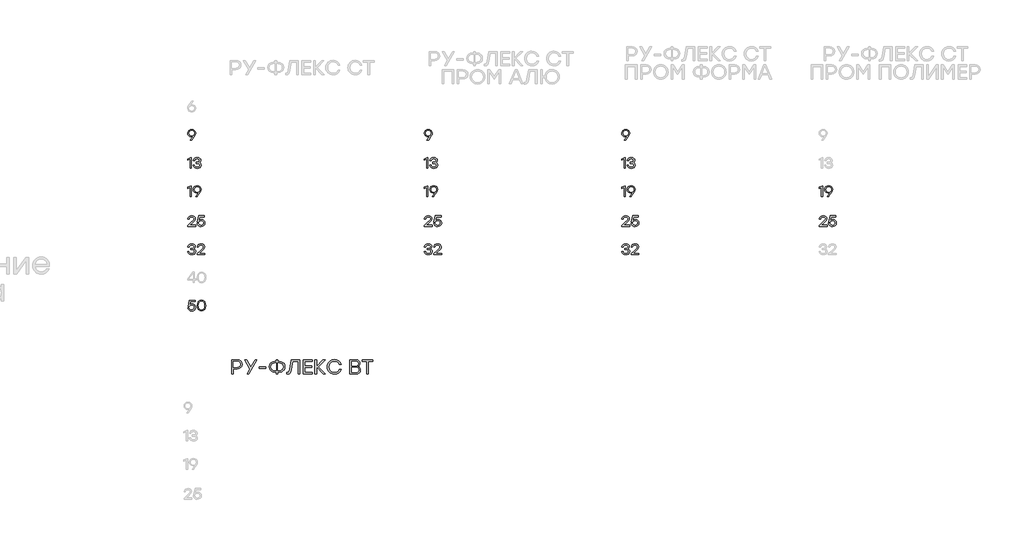
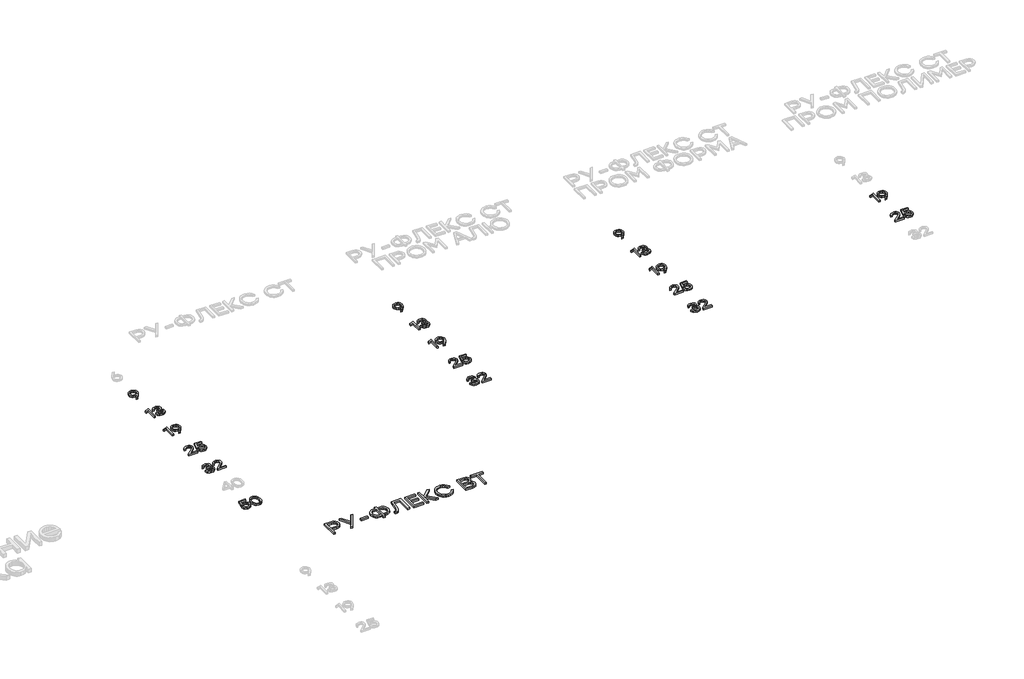
# One storey, part 16 of 41: 19 proxies.
"""IFC4 building model written with IfcOpenShell, lengths in millimetres."""

from ifc_helpers import new_model, si_unit, origin, origin_with_axes, place, context, project, spatial, polyline, outline, extrude, element, save

model = new_model("IFC4")

# Units and contexts
model_context = context("Model", 3, world=origin())
ifc_project = project(units=[si_unit("LENGTHUNIT", "METRE", prefix="MILLI")], contexts=[model_context])

# Site, building, storey
site = spatial("IfcSite", under=ifc_project)
building = spatial("IfcBuilding", under=site)
storey = spatial("IfcBuildingStorey", under=building, Elevation=0.0)

# Proxies
placement = place(None, origin())
element("IfcBuildingElementProxy", 1, Name="Generic Models", at=placement, inside=storey, context=model_context, shape_type="SweptSolid", body=[
    extrude(outline(polyline([(6681.1925742, -32149.8318641), (6703.0627748, -32153.477738), (6721.0702653, -32164.4153597), (6733.1273669, -32181.5655908), (6737.1464008, -32203.849293), (6734.5191528, -32221.6903743), (6726.6374089, -32239.6323096), (6684.8636616, -32299.216882), (6682.4835061, -32302.2021618), (6661.7075719, -32302.2021618), (6704.348664, -32245.1994532), (6690.3702927, -32251.1599275), (6676.2708966, -32253.1467523), (6656.6093997, -32249.7983978), (6640.0642929, -32239.7533345), (6628.8241091, -32223.9192488), (6625.0773812, -32203.203827), (6629.0964151, -32181.6563594), (6641.1535167, -32164.6170678), (6659.2013488, -32153.528165), (6681.1925742, -32149.8318641)]), holes=[polyline([(6680.9908661, -32239.1885518), (6696.3761514, -32236.727713), (6708.6450465, -32229.3451966), (6716.6780715, -32217.8377496), (6719.3557465, -32203.0021189), (6716.6226018, -32188.1614456), (6708.4231675, -32176.6388704), (6696.1542724, -32169.2412259), (6681.212745, -32166.7753444), (6666.2712176, -32169.291653), (6654.0023225, -32176.8405785), (6645.8028883, -32188.4640077), (6643.0697436, -32203.203827), (6645.7726321, -32218.0142442), (6653.8812977, -32229.4460507), (6666.0644668, -32236.7529265), (6680.9908661, -32239.1885518)])]), origin_with_axes(), (0.0, 0.0, 1.0), 20.0),
])
element("IfcBuildingElementProxy", 2, Name="Generic Models", at=placement, inside=storey, context=model_context, shape_type="SweptSolid", body=[
    extrude(outline(polyline([(6667.0730073, -32552.2120197), (6675.2220145, -32552.2120197), (6675.2220145, -32702.2021618), (6657.4313602, -32702.2021618), (6657.4313602, -32572.9879539), (6622.9392754, -32586.9058127), (6622.9392754, -32569.3572081), (6667.0730073, -32552.2120197)])), origin_with_axes(), (0.0, 0.0, 1.0), 20.0),
    extrude(outline(polyline([(6788.259233, -32623.1325872), (6799.4691606, -32628.5988767), (6807.8450894, -32636.8487379), (6813.0642864, -32647.5090109), (6814.8040188, -32660.2065357), (6811.1077178, -32678.4560759), (6800.0188151, -32692.5403439), (6782.9290965, -32701.5415678), (6761.2303478, -32704.5419758), (6739.8442466, -32701.6525073), (6721.9174393, -32692.9841017), (6708.9728221, -32678.7989797), (6702.5332911, -32659.3593617), (6720.5256535, -32659.3593617), (6725.3868186, -32671.7316322), (6733.7577047, -32680.5689683), (6745.6383117, -32685.8713699), (6761.0286397, -32687.6388371), (6775.9399109, -32685.7074821), (6787.2708633, -32679.9134169), (6794.4264581, -32670.8012536), (6796.8116564, -32658.9156039), (6794.8046608, -32648.134306), (6788.783674, -32639.7533345), (6778.4158778, -32634.3677283), (6763.3684536, -32632.5725262), (6742.5925195, -32632.5725262), (6742.5925195, -32616.9199777), (6758.2450679, -32616.9199777), (6772.9647164, -32615.4727221), (6783.478751, -32611.1309553), (6789.7871718, -32603.8946773), (6791.8899788, -32593.763888), (6789.6106772, -32582.6245583), (6782.7727727, -32574.0570068), (6772.1830975, -32568.59576), (6758.6484841, -32566.7753444), (6745.8097636, -32568.3032833), (6735.532736, -32572.8870998), (6727.8678283, -32581.0008081), (6722.8654674, -32593.1184221), (6704.873105, -32593.1184221), (6711.5446004, -32573.9158111), (6723.4100793, -32560.4417101), (6739.5618553, -32552.4843256), (6759.0922419, -32549.8318641), (6779.106728, -32552.7515889), (6795.4198705, -32561.5107631), (6806.2667235, -32574.8789673), (6809.8823412, -32591.6257822), (6804.3151976, -32610.9090764), (6797.5176347, -32618.1403117), (6788.259233, -32623.1325872)])), origin_with_axes(), (0.0, 0.0, 1.0), 20.0),
])
element("IfcBuildingElementProxy", 3, Name="Generic Models", at=placement, inside=storey, context=model_context, shape_type="SweptSolid", body=[
    extrude(outline(polyline([(6667.0730073, -32952.2120197), (6675.2220145, -32952.2120197), (6675.2220145, -33102.2021618), (6657.4313602, -33102.2021618), (6657.4313602, -32972.9879539), (6622.9392754, -32986.9058127), (6622.9392754, -32969.3572081), (6667.0730073, -32952.2120197)])), origin_with_axes(), (0.0, 0.0, 1.0), 20.0),
    extrude(outline(polyline([(6758.6484841, -32949.8318641), (6780.5186847, -32953.477738), (6798.5261752, -32964.4153597), (6810.5832768, -32981.5655908), (6814.6023107, -33003.849293), (6811.9750627, -33021.6903743), (6804.0933187, -33039.6323096), (6762.3195715, -33099.216882), (6759.9394159, -33102.2021618), (6739.1634818, -33102.2021618), (6781.8045738, -33045.1994532), (6767.8262026, -33051.1599275), (6753.7268065, -33053.1467523), (6734.0653096, -33049.7983978), (6717.5202028, -33039.7533345), (6706.280019, -33023.9192488), (6702.5332911, -33003.203827), (6706.5523249, -32981.6563594), (6718.6094265, -32964.6170678), (6736.6572587, -32953.528165), (6758.6484841, -32949.8318641)]), holes=[polyline([(6758.446776, -33039.1885518), (6773.8320612, -33036.727713), (6786.1009563, -33029.3451966), (6794.1339814, -33017.8377496), (6796.8116564, -33003.0021189), (6794.0785116, -32988.1614456), (6785.8790774, -32976.6388704), (6773.6101823, -32969.2412259), (6758.6686549, -32966.7753444), (6743.7271275, -32969.291653), (6731.4582324, -32976.8405785), (6723.2587982, -32988.4640077), (6720.5256535, -33003.203827), (6723.228542, -33018.0142442), (6731.3372076, -33029.4460507), (6743.5203767, -33036.7529265), (6758.446776, -33039.1885518)])]), origin_with_axes(), (0.0, 0.0, 1.0), 20.0),
])
element("IfcBuildingElementProxy", 4, Name="Generic Models", at=placement, inside=storey, context=model_context, shape_type="SweptSolid", body=[
    extrude(outline(polyline([(6737.5901586, -33509.0569735), (6737.5901586, -33526.2021618), (6625.0773812, -33526.2021618), (6625.0773812, -33513.3331851), (6668.5656473, -33475.4120626), (6707.2532606, -33439.4273378), (6713.6070657, -33429.4629577), (6715.7250007, -33418.8531118), (6713.4204857, -33407.577629), (6706.5069406, -33398.6016187), (6695.7357281, -33392.731913), (6681.858211, -33390.7753444), (6667.925224, -33392.8378097), (6656.9876024, -33399.0252057), (6649.1109012, -33408.9643722), (6644.3606754, -33422.2821494), (6626.368313, -33422.2821494), (6632.5657944, -33402.2827915), (6644.7842624, -33386.9025489), (6661.8840665, -33377.0995353), (6682.7255558, -33373.8318641), (6703.2695256, -33376.9936386), (6719.4767714, -33386.4789619), (6730.0059341, -33400.7346818), (6733.515655, -33418.2076458), (6730.9690903, -33432.8466111), (6723.329396, -33445.9425094), (6683.128972, -33484.2065357), (6654.4057387, -33509.0569735), (6737.5901586, -33509.0569735)])), origin_with_axes(), (0.0, 0.0, 1.0), 20.0),
    extrude(outline(polyline([(6818.6768143, -33427.203827), (6838.5652328, -33430.577395), (6854.984272, -33440.6980988), (6865.9975342, -33456.3960316), (6869.6686216, -33476.5012863), (6865.7605272, -33497.20158), (6854.0362439, -33513.877797), (6836.4725113, -33524.8759311), (6815.0460685, -33528.5419758), (6794.088597, -33525.4911408), (6776.2374303, -33516.3386358), (6763.2171725, -33501.6089019), (6756.752428, -33481.8263801), (6774.7447904, -33481.8263801), (6779.8933896, -33494.5289477), (6788.8845281, -33503.9134169), (6800.8811173, -33509.7074821), (6815.0460685, -33511.6388371), (6829.5337527, -33509.1174859), (6841.2882921, -33501.5534322), (6849.0792674, -33490.2476933), (6851.6762592, -33476.5012863), (6849.1044809, -33462.558214), (6841.3891462, -33451.6306778), (6829.7102472, -33444.5658516), (6815.2477766, -33442.2109096), (6794.2499635, -33447.0821602), (6779.666468, -33461.6959119), (6762.5212796, -33461.6959119), (6780.7556917, -33376.2120197), (6862.6088381, -33376.2120197), (6862.6088381, -33393.1151584), (6794.2297927, -33393.1151584), (6784.3864375, -33439.830754), (6799.817107, -33430.3605588), (6818.6768143, -33427.203827)])), origin_with_axes(), (0.0, 0.0, 1.0), 20.0),
])
element("IfcBuildingElementProxy", 5, Name="Generic Models", at=placement, inside=storey, context=model_context, shape_type="SweptSolid", body=[
    extrude(outline(polyline([(6710.8033231, -33847.1325872), (6722.0132507, -33852.5988767), (6730.3891795, -33860.8487379), (6735.6083765, -33871.5090109), (6737.3481089, -33884.2065357), (6733.651808, -33902.4560759), (6722.5629053, -33916.5403439), (6705.4731866, -33925.5415678), (6683.7744379, -33928.5419758), (6662.3883367, -33925.6525073), (6644.4615295, -33916.9841017), (6631.5169122, -33902.7989797), (6625.0773812, -33883.3593617), (6643.0697436, -33883.3593617), (6647.9309088, -33895.7316322), (6656.3017949, -33904.5689683), (6668.1824019, -33909.8713699), (6683.5727298, -33911.6388371), (6698.484001, -33909.7074821), (6709.8149534, -33903.9134169), (6716.9705482, -33894.8012536), (6719.3557465, -33882.9156039), (6717.3487509, -33872.134306), (6711.3277642, -33863.7533345), (6700.9599679, -33858.3677283), (6685.9125437, -33856.5725262), (6665.1366096, -33856.5725262), (6665.1366096, -33840.9199777), (6680.789158, -33840.9199777), (6695.5088065, -33839.4727221), (6706.0228412, -33835.1309553), (6712.331262, -33827.8946773), (6714.4340689, -33817.763888), (6712.1547674, -33806.6245583), (6705.3168628, -33798.0570068), (6694.7271877, -33792.59576), (6681.1925742, -33790.7753444), (6668.3538538, -33792.3032833), (6658.0768261, -33796.8870998), (6650.4119184, -33805.0008081), (6645.4095575, -33817.1184221), (6627.4171951, -33817.1184221), (6634.0886905, -33797.9158111), (6645.9541694, -33784.4417101), (6662.1059454, -33776.4843256), (6681.6363321, -33773.8318641), (6701.6508181, -33776.7515889), (6717.9639606, -33785.5107631), (6728.8108136, -33798.8789673), (6732.4264313, -33815.6257822), (6726.8592878, -33834.9090764), (6720.0617248, -33842.1403117), (6710.8033231, -33847.1325872)])), origin_with_axes(), (0.0, 0.0, 1.0), 20.0),
    extrude(outline(polyline([(6869.2652054, -33909.0569735), (6869.2652054, -33926.2021618), (6756.752428, -33926.2021618), (6756.752428, -33913.3331851), (6800.240694, -33875.4120626), (6838.9283074, -33839.4273378), (6845.2821125, -33829.4629577), (6847.4000475, -33818.8531118), (6845.0955325, -33807.577629), (6838.1819874, -33798.6016187), (6827.4107749, -33792.731913), (6813.5332577, -33790.7753444), (6799.6002708, -33792.8378097), (6788.6626492, -33799.0252057), (6780.7859479, -33808.9643722), (6776.0357222, -33822.2821494), (6758.0433598, -33822.2821494), (6764.2408411, -33802.2827915), (6776.4593092, -33786.9025489), (6793.5591133, -33777.0995353), (6814.4006026, -33773.8318641), (6834.9445724, -33776.9936386), (6851.1518181, -33786.4789619), (6861.6809809, -33800.7346818), (6865.1907018, -33818.2076458), (6862.644137, -33832.8466111), (6855.0044428, -33845.9425094), (6814.8040188, -33884.2065357), (6786.0807855, -33909.0569735), (6869.2652054, -33909.0569735)])), origin_with_axes(), (0.0, 0.0, 1.0), 20.0),
])
element("IfcBuildingElementProxy", 6, Name="Generic Models", at=placement, inside=storey, context=model_context, shape_type="SweptSolid", body=[
    extrude(outline(polyline([(6687.0017675, -34627.203827), (6706.890186, -34630.577395), (6723.3092252, -34640.6980988), (6734.3224874, -34656.3960316), (6737.9935748, -34676.5012863), (6734.0854804, -34697.20158), (6722.3611972, -34713.877797), (6704.7974645, -34724.8759311), (6683.3710217, -34728.5419758), (6662.4135503, -34725.4911408), (6644.5623835, -34716.3386358), (6631.5421258, -34701.6089019), (6625.0773812, -34681.8263801), (6643.0697436, -34681.8263801), (6648.2183428, -34694.5289477), (6657.2094813, -34703.9134169), (6669.2060705, -34709.7074821), (6683.3710217, -34711.6388371), (6697.8587059, -34709.1174859), (6709.6132453, -34701.5534322), (6717.4042206, -34690.2476933), (6720.0012124, -34676.5012863), (6717.4294342, -34662.558214), (6709.7140994, -34651.6306778), (6698.0352005, -34644.5658516), (6683.5727298, -34642.2109096), (6662.5749167, -34647.0821602), (6647.9914212, -34661.6959119), (6630.8462328, -34661.6959119), (6649.0806449, -34576.2120197), (6730.9337914, -34576.2120197), (6730.9337914, -34593.1151584), (6662.5547459, -34593.1151584), (6652.7113907, -34639.830754), (6668.1420603, -34630.3605588), (6687.0017675, -34627.203827)])), origin_with_axes(), (0.0, 0.0, 1.0), 20.0),
    extrude(outline(polyline([(6820.1694542, -34573.8318641), (6845.6754433, -34578.8947374), (6864.746944, -34594.0833572), (6876.6376364, -34618.4849945), (6880.6012005, -34651.18692), (6876.6376364, -34683.8888454), (6864.746944, -34708.2904827), (6845.6754433, -34723.4791025), (6820.1694542, -34728.5419758), (6794.8147462, -34723.5093587), (6775.7129892, -34708.4115075), (6763.7315282, -34684.0451692), (6759.7377078, -34651.2070908), (6763.7315282, -34618.3639696), (6775.7129892, -34593.9825032), (6794.8147462, -34578.8695239), (6820.1694542, -34573.8318641)]), holes=[polyline([(6788.9853821, -34696.9544875), (6802.4090561, -34707.9677497), (6820.1694542, -34711.6388371), (6837.9298523, -34707.9677497), (6851.3535262, -34696.9544875), (6859.7950102, -34678.1754636), (6862.6088381, -34651.2070908), (6859.7950102, -34624.238718), (6851.3535262, -34605.459694), (6837.9298523, -34594.4464318), (6820.1694542, -34590.7753444), (6802.4090561, -34594.4464318), (6788.9853821, -34605.459694), (6780.5438982, -34624.238718), (6777.7300702, -34651.2070908), (6780.5438982, -34678.1754636), (6788.9853821, -34696.9544875)])]), origin_with_axes(), (0.0, 0.0, 1.0), 20.0),
])
element("IfcBuildingElementProxy", 7, Name="Generic Models", at=placement, inside=storey, context=model_context, shape_type="SweptSolid", body=[
    extrude(outline(polyline([(7327.9353157, -35421.0473915), (7356.9543874, -35425.5118641), (7378.8195453, -35438.9052819), (7392.535696, -35459.3584831), (7397.1077463, -35485.002306), (7392.4953544, -35511.0360979), (7378.6581789, -35531.9061625), (7356.7526794, -35545.6223132), (7327.9353157, -35550.1943635), (7271.3494704, -35550.1943635), (7271.3494704, -35621.0342477), (7247.628598, -35621.0342477), (7247.628598, -35421.0473915), (7327.9353157, -35421.0473915)]), holes=[polyline([(7327.0746944, -35527.6030564), (7346.9429422, -35524.6043294), (7361.3650712, -35515.6081482), (7370.1393735, -35502.0399167), (7373.0641409, -35485.325039), (7370.1393735, -35468.6773972), (7361.3650712, -35455.3108739), (7346.9429422, -35446.5164008), (7327.0746944, -35443.5849098), (7271.3494704, -35443.5849098), (7271.3494704, -35527.6030564), (7327.0746944, -35527.6030564)])]), origin_with_axes(), (0.0, 0.0, 1.0), 20.0),
    extrude(outline(polyline([(7606.1311253, -35421.0473915), (7493.0132236, -35621.0342477), (7466.1725992, -35621.0342477), (7507.5899955, -35548.473121), (7434.7061359, -35421.0473915), (7461.600549, -35421.0473915), (7520.7144691, -35523.0310062), (7579.5594451, -35421.0473915), (7606.1311253, -35421.0473915)])), origin_with_axes(), (0.0, 0.0, 1.0), 20.0),
    extrude(outline(polyline([(7732.6962335, -35523.6226833), (7732.6962335, -35546.1602015), (7640.0718747, -35546.1602015), (7640.0718747, -35523.6226833), (7732.6962335, -35523.6226833)])), origin_with_axes(), (0.0, 0.0, 1.0), 20.0),
    extrude(outline(polyline([(7923.2700451, -35443.5849098), (7954.9180458, -35448.6948483), (7980.6896172, -35464.0246638), (7990.6792108, -35475.1270137), (7997.8146348, -35487.9943095), (8003.522974, -35519.0237386), (7997.8482528, -35550.0531678), (7990.7548513, -35562.9204636), (7980.8240893, -35574.0228135), (7955.0861359, -35589.352629), (7923.2700451, -35594.4625675), (7903.5295459, -35594.4625675), (7903.5295459, -35621.0342477), (7879.8086735, -35621.0342477), (7879.8086735, -35594.4625675), (7859.8530189, -35594.4625675), (7827.9965865, -35589.352629), (7802.245186, -35574.0228135), (7792.3144239, -35562.9204636), (7785.2210224, -35550.0531678), (7779.5463013, -35519.0237386), (7785.261364, -35487.9943095), (7792.4051925, -35475.1270137), (7802.4065524, -35464.0246638), (7828.1982946, -35448.6948483), (7859.8530189, -35443.5849098), (7879.8086735, -35443.5849098), (7879.8086735, -35421.0473915), (7903.5295459, -35421.0473915), (7903.5295459, -35443.5849098), (7923.2700451, -35443.5849098)]), holes=[polyline([(7923.2700451, -35571.8712605), (7945.8747994, -35568.4086048), (7963.9881866, -35558.0206377), (7975.8889644, -35541.3461016), (7979.8558904, -35519.0237386), (7975.8889644, -35496.7013757), (7963.9881866, -35480.0268396), (7945.8747994, -35469.6388725), (7923.2700451, -35466.1762168), (7903.5295459, -35466.1762168), (7903.5295459, -35571.8712605), (7923.2700451, -35571.8712605)]), polyline([(7859.8530189, -35571.8712605), (7879.8086735, -35571.8712605), (7879.8086735, -35466.1762168), (7859.8530189, -35466.1762168), (7837.4499728, -35469.6388725), (7819.4038215, -35480.0268396), (7807.5030437, -35496.7013757), (7803.5361178, -35519.0237386), (7807.4627021, -35541.3461016), (7819.2424551, -35558.0206377), (7837.2482647, -35568.4086048), (7859.8530189, -35571.8712605)])]), origin_with_axes(), (0.0, 0.0, 1.0), 20.0),
    extrude(outline(polyline([(8093.1889474, -35421.0473915), (8213.460763, -35421.0473915), (8213.460763, -35621.0342477), (8189.7398906, -35621.0342477), (8189.7398906, -35443.5849098), (8113.1446019, -35443.5849098), (8094.0495686, -35559.8763522), (8086.9494435, -35589.8972409), (8077.1598772, -35609.6041221), (8063.9547203, -35620.5165303), (8046.6078238, -35624.1539996), (8030.9014865, -35623.2933784), (8030.9014865, -35601.6164814), (8042.0357736, -35602.1543697), (8052.7330264, -35599.8683446), (8060.2970801, -35593.0102692), (8070.5976403, -35558.4778427), (8093.1889474, -35421.0473915)])), origin_with_axes(), (0.0, 0.0, 1.0), 20.0),
    extrude(outline(polyline([(8390.0494797, -35443.5849098), (8286.8825109, -35443.5849098), (8286.8825109, -35507.0557248), (8383.16451, -35507.0557248), (8383.16451, -35529.593243), (8286.8825109, -35529.593243), (8286.8825109, -35598.4429407), (8390.0494797, -35598.4429407), (8390.0494797, -35621.0342477), (8263.1616385, -35621.0342477), (8263.1616385, -35421.0473915), (8390.0494797, -35421.0473915), (8390.0494797, -35443.5849098)])), origin_with_axes(), (0.0, 0.0, 1.0), 20.0),
    extrude(outline(polyline([(8576.696707, -35621.0342477), (8546.1446536, -35621.0342477), (8452.1217853, -35523.8916274), (8452.1217853, -35621.0342477), (8428.4009129, -35621.0342477), (8428.4009129, -35421.0473915), (8452.1217853, -35421.0473915), (8452.1217853, -35514.747527), (8543.0249017, -35421.0473915), (8573.3080109, -35421.0473915), (8478.6934655, -35519.0506331), (8576.696707, -35621.0342477)])), origin_with_axes(), (0.0, 0.0, 1.0), 20.0),
    extrude(outline(polyline([(8705.7361013, -35624.1539996), (8684.538261, -35622.3150941), (8665.2129443, -35616.7983776), (8647.760151, -35607.6038502), (8632.1798813, -35594.7315117), (8619.3663743, -35579.0907295), (8610.2138694, -35561.5908711), (8604.7223664, -35542.2319363), (8602.8918654, -35521.0139252), (8604.7223664, -35499.7959141), (8610.2138694, -35480.4369794), (8619.3663743, -35462.9371209), (8632.1798813, -35447.2963388), (8647.760151, -35434.4240003), (8665.2129443, -35425.2294728), (8684.538261, -35419.7127563), (8705.7361013, -35417.8738508), (8737.2160119, -35422.412283), (8764.7424437, -35436.0275797), (8786.4865767, -35457.2808897), (8800.6195909, -35484.7333619), (8775.177476, -35484.7333619), (8763.7137324, -35466.5258442), (8747.6107025, -35452.4600661), (8727.8634797, -35443.4638849), (8705.4671571, -35440.4651578), (8674.5654764, -35446.2138386), (8649.3116225, -35463.4598811), (8632.4891671, -35489.3524773), (8626.8816819, -35521.0408196), (8632.4891671, -35552.7291619), (8649.3116225, -35578.6217582), (8674.5654764, -35595.8678006), (8705.4671571, -35601.6164814), (8727.8634797, -35598.6177544), (8747.6107025, -35589.6215732), (8763.7137324, -35575.5423479), (8775.177476, -35557.2944886), (8800.6195909, -35557.2944886), (8786.4865767, -35584.7805788), (8764.7424437, -35606.0271652), (8737.2160119, -35619.622291), (8705.7361013, -35624.1539996)])), origin_with_axes(), (0.0, 0.0, 1.0), 20.0),
    extrude(outline(polyline([(9039.011669, -35514.747527), (9054.1431382, -35521.5753461), (9064.9513305, -35532.3230259), (9071.4362459, -35546.9905665), (9073.5978843, -35565.5779678), (9069.4158031, -35588.7811227), (9056.8695593, -35606.3230037), (9036.3222277, -35617.3564367), (9008.1368827, -35621.0342477), (8924.118736, -35621.0342477), (8924.118736, -35421.0473915), (9006.7383732, -35421.0473915), (9033.0343857, -35424.3688516), (9052.0016706, -35434.3332316), (9063.4788614, -35450.3623019), (9067.3045916, -35471.8778324), (9065.536284, -35486.2360872), (9060.231361, -35498.1671212), (9051.3898227, -35507.6709345), (9039.011669, -35514.747527)]), holes=[polyline([(9043.3147751, -35475.3203173), (9041.02875, -35461.5369305), (9034.1706746, -35451.5994449), (9022.0278471, -35445.5885435), (9003.8875654, -35443.5849098), (8947.8396084, -35443.5849098), (8947.8396084, -35506.7329918), (9003.2958883, -35506.7329918), (9021.8799278, -35504.7360817), (9034.1706746, -35498.7453511), (9041.02875, -35488.8952723), (9043.3147751, -35475.3203173)]), polyline([(9007.8679386, -35598.4429407), (9026.2469082, -35596.284664), (9039.3747436, -35589.8098341), (9047.2514448, -35579.0184508), (9049.8770119, -35563.9105142), (9047.3758315, -35548.5874223), (9039.8722902, -35537.4733061), (9026.7209222, -35530.7160848), (9007.2762615, -35528.4636777), (8947.8396084, -35528.4636777), (8947.8396084, -35598.4429407), (9007.8679386, -35598.4429407)])]), origin_with_axes(), (0.0, 0.0, 1.0), 20.0),
    extrude(outline(polyline([(9250.9396446, -35421.0473915), (9250.9396446, -35443.5849098), (9186.3392642, -35443.5849098), (9186.3392642, -35621.0342477), (9162.3494477, -35621.0342477), (9162.3494477, -35443.5849098), (9098.0718003, -35443.5849098), (9098.0718003, -35421.0473915), (9250.9396446, -35421.0473915)])), origin_with_axes(), (0.0, 0.0, 1.0), 20.0),
])
element("IfcBuildingElementProxy", 8, Name="Generic Models", at=placement, inside=storey, context=model_context, shape_type="SweptSolid", body=[
    extrude(outline(polyline([(10036.0477337, -32149.8318641), (10057.9179343, -32153.477738), (10075.9254248, -32164.4153597), (10087.9825264, -32181.5655908), (10092.0015602, -32203.849293), (10089.3743122, -32221.6903743), (10081.4925683, -32239.6323096), (10039.7188211, -32299.216882), (10037.3386655, -32302.2021618), (10016.5627313, -32302.2021618), (10059.2038234, -32245.1994532), (10045.2254522, -32251.1599275), (10031.1260561, -32253.1467523), (10011.4645592, -32249.7983978), (9994.9194524, -32239.7533345), (9983.6792686, -32223.9192488), (9979.9325406, -32203.203827), (9983.9515745, -32181.6563594), (9996.0086761, -32164.6170678), (10014.0565082, -32153.528165), (10036.0477337, -32149.8318641)]), holes=[polyline([(10035.8460256, -32239.1885518), (10051.2313108, -32236.727713), (10063.5002059, -32229.3451966), (10071.5332309, -32217.8377496), (10074.2109059, -32203.0021189), (10071.4777612, -32188.1614456), (10063.278327, -32176.6388704), (10051.0094319, -32169.2412259), (10036.0679045, -32166.7753444), (10021.1263771, -32169.291653), (10008.857482, -32176.8405785), (10000.6580478, -32188.4640077), (9997.924903, -32203.203827), (10000.6277916, -32218.0142442), (10008.7364571, -32229.4460507), (10020.9196263, -32236.7529265), (10035.8460256, -32239.1885518)])]), origin_with_axes(), (0.0, 0.0, 1.0), 20.0),
])
element("IfcBuildingElementProxy", 9, Name="Generic Models", at=placement, inside=storey, context=model_context, shape_type="SweptSolid", body=[
    extrude(outline(polyline([(10021.9281668, -32552.2120197), (10030.077174, -32552.2120197), (10030.077174, -32702.2021618), (10012.2865197, -32702.2021618), (10012.2865197, -32572.9879539), (9977.7944348, -32586.9058127), (9977.7944348, -32569.3572081), (10021.9281668, -32552.2120197)])), origin_with_axes(), (0.0, 0.0, 1.0), 20.0),
    extrude(outline(polyline([(10143.1143924, -32623.1325872), (10154.32432, -32628.5988767), (10162.7002488, -32636.8487379), (10167.9194458, -32647.5090109), (10169.6591782, -32660.2065357), (10165.9628773, -32678.4560759), (10154.8739746, -32692.5403439), (10137.7842559, -32701.5415678), (10116.0855072, -32704.5419758), (10094.6994061, -32701.6525073), (10076.7725988, -32692.9841017), (10063.8279816, -32678.7989797), (10057.3884505, -32659.3593617), (10075.3808129, -32659.3593617), (10080.2419781, -32671.7316322), (10088.6128642, -32680.5689683), (10100.4934712, -32685.8713699), (10115.8837991, -32687.6388371), (10130.7950703, -32685.7074821), (10142.1260227, -32679.9134169), (10149.2816175, -32670.8012536), (10151.6668158, -32658.9156039), (10149.6598202, -32648.134306), (10143.6388335, -32639.7533345), (10133.2710372, -32634.3677283), (10118.2236131, -32632.5725262), (10097.4476789, -32632.5725262), (10097.4476789, -32616.9199777), (10113.1002273, -32616.9199777), (10127.8198758, -32615.4727221), (10138.3339105, -32611.1309553), (10144.6423313, -32603.8946773), (10146.7451382, -32593.763888), (10144.4658367, -32582.6245583), (10137.6279321, -32574.0570068), (10127.038257, -32568.59576), (10113.5036435, -32566.7753444), (10100.6649231, -32568.3032833), (10090.3878954, -32572.8870998), (10082.7229877, -32581.0008081), (10077.7206268, -32593.1184221), (10059.7282645, -32593.1184221), (10066.3997598, -32573.9158111), (10078.2652387, -32560.4417101), (10094.4170147, -32552.4843256), (10113.9474014, -32549.8318641), (10133.9618874, -32552.7515889), (10150.2750299, -32561.5107631), (10161.1218829, -32574.8789673), (10164.7375006, -32591.6257822), (10159.1703571, -32610.9090764), (10152.3727941, -32618.1403117), (10143.1143924, -32623.1325872)])), origin_with_axes(), (0.0, 0.0, 1.0), 20.0),
])
element("IfcBuildingElementProxy", 10, Name="Generic Models", at=placement, inside=storey, context=model_context, shape_type="SweptSolid", body=[
    extrude(outline(polyline([(10021.9281668, -32952.2120197), (10030.077174, -32952.2120197), (10030.077174, -33102.2021618), (10012.2865197, -33102.2021618), (10012.2865197, -32972.9879539), (9977.7944348, -32986.9058127), (9977.7944348, -32969.3572081), (10021.9281668, -32952.2120197)])), origin_with_axes(), (0.0, 0.0, 1.0), 20.0),
    extrude(outline(polyline([(10113.5036435, -32949.8318641), (10135.3738441, -32953.477738), (10153.3813346, -32964.4153597), (10165.4384362, -32981.5655908), (10169.4574701, -33003.849293), (10166.8302221, -33021.6903743), (10158.9484782, -33039.6323096), (10117.1747309, -33099.216882), (10114.7945754, -33102.2021618), (10094.0186412, -33102.2021618), (10136.6597333, -33045.1994532), (10122.681362, -33051.1599275), (10108.5819659, -33053.1467523), (10088.920469, -33049.7983978), (10072.3753622, -33039.7533345), (10061.1351784, -33023.9192488), (10057.3884505, -33003.203827), (10061.4074844, -32981.6563594), (10073.464586, -32964.6170678), (10091.5124181, -32953.528165), (10113.5036435, -32949.8318641)]), holes=[polyline([(10113.3019354, -33039.1885518), (10128.6872207, -33036.727713), (10140.9561158, -33029.3451966), (10148.9891408, -33017.8377496), (10151.6668158, -33003.0021189), (10148.9336711, -32988.1614456), (10140.7342369, -32976.6388704), (10128.4653418, -32969.2412259), (10113.5238144, -32966.7753444), (10098.5822869, -32969.291653), (10086.3133919, -32976.8405785), (10078.1139576, -32988.4640077), (10075.3808129, -33003.203827), (10078.0837014, -33018.0142442), (10086.192367, -33029.4460507), (10098.3755361, -33036.7529265), (10113.3019354, -33039.1885518)])]), origin_with_axes(), (0.0, 0.0, 1.0), 20.0),
])
element("IfcBuildingElementProxy", 11, Name="Generic Models", at=placement, inside=storey, context=model_context, shape_type="SweptSolid", body=[
    extrude(outline(polyline([(10092.445318, -33509.0569735), (10092.445318, -33526.2021618), (9979.9325406, -33526.2021618), (9979.9325406, -33513.3331851), (10023.4208067, -33475.4120626), (10062.10842, -33439.4273378), (10068.4622251, -33429.4629577), (10070.5801602, -33418.8531118), (10068.2756451, -33407.577629), (10061.3621001, -33398.6016187), (10050.5908876, -33392.731913), (10036.7133704, -33390.7753444), (10022.7803835, -33392.8378097), (10011.8427618, -33399.0252057), (10003.9660606, -33408.9643722), (9999.2158349, -33422.2821494), (9981.2234725, -33422.2821494), (9987.4209538, -33402.2827915), (9999.6394219, -33386.9025489), (10016.7392259, -33377.0995353), (10037.5807152, -33373.8318641), (10058.1246851, -33376.9936386), (10074.3319308, -33386.4789619), (10084.8610935, -33400.7346818), (10088.3708145, -33418.2076458), (10085.8242497, -33432.8466111), (10078.1845555, -33445.9425094), (10037.9841314, -33484.2065357), (10009.2608982, -33509.0569735), (10092.445318, -33509.0569735)])), origin_with_axes(), (0.0, 0.0, 1.0), 20.0),
    extrude(outline(polyline([(10173.5319737, -33427.203827), (10193.4203922, -33430.577395), (10209.8394314, -33440.6980988), (10220.8526936, -33456.3960316), (10224.523781, -33476.5012863), (10220.6156866, -33497.20158), (10208.8914034, -33513.877797), (10191.3276707, -33524.8759311), (10169.9012279, -33528.5419758), (10148.9437565, -33525.4911408), (10131.0925897, -33516.3386358), (10118.072332, -33501.6089019), (10111.6075874, -33481.8263801), (10129.5999498, -33481.8263801), (10134.748549, -33494.5289477), (10143.7396875, -33503.9134169), (10155.7362767, -33509.7074821), (10169.9012279, -33511.6388371), (10184.3889121, -33509.1174859), (10196.1434515, -33501.5534322), (10203.9344269, -33490.2476933), (10206.5314186, -33476.5012863), (10203.9596404, -33462.558214), (10196.2443056, -33451.6306778), (10184.5654067, -33444.5658516), (10170.102936, -33442.2109096), (10149.1051229, -33447.0821602), (10134.5216274, -33461.6959119), (10117.376439, -33461.6959119), (10135.6108512, -33376.2120197), (10217.4639976, -33376.2120197), (10217.4639976, -33393.1151584), (10149.0849521, -33393.1151584), (10139.2415969, -33439.830754), (10154.6722665, -33430.3605588), (10173.5319737, -33427.203827)])), origin_with_axes(), (0.0, 0.0, 1.0), 20.0),
])
element("IfcBuildingElementProxy", 12, Name="Generic Models", at=placement, inside=storey, context=model_context, shape_type="SweptSolid", body=[
    extrude(outline(polyline([(10065.6584826, -33847.1325872), (10076.8684101, -33852.5988767), (10085.2443389, -33860.8487379), (10090.463536, -33871.5090109), (10092.2032683, -33884.2065357), (10088.5069674, -33902.4560759), (10077.4180647, -33916.5403439), (10060.328346, -33925.5415678), (10038.6295973, -33928.5419758), (10017.2434962, -33925.6525073), (9999.3166889, -33916.9841017), (9986.3720717, -33902.7989797), (9979.9325406, -33883.3593617), (9997.924903, -33883.3593617), (10002.7860682, -33895.7316322), (10011.1569543, -33904.5689683), (10023.0375613, -33909.8713699), (10038.4278892, -33911.6388371), (10053.3391604, -33909.7074821), (10064.6701129, -33903.9134169), (10071.8257077, -33894.8012536), (10074.2109059, -33882.9156039), (10072.2039104, -33872.134306), (10066.1829236, -33863.7533345), (10055.8151273, -33858.3677283), (10040.7677032, -33856.5725262), (10019.991769, -33856.5725262), (10019.991769, -33840.9199777), (10035.6443175, -33840.9199777), (10050.363966, -33839.4727221), (10060.8780006, -33835.1309553), (10067.1864214, -33827.8946773), (10069.2892283, -33817.763888), (10067.0099268, -33806.6245583), (10060.1720223, -33798.0570068), (10049.5823471, -33792.59576), (10036.0477337, -33790.7753444), (10023.2090132, -33792.3032833), (10012.9319856, -33796.8870998), (10005.2670778, -33805.0008081), (10000.264717, -33817.1184221), (9982.2723546, -33817.1184221), (9988.9438499, -33797.9158111), (10000.8093288, -33784.4417101), (10016.9611048, -33776.4843256), (10036.4914915, -33773.8318641), (10056.5059776, -33776.7515889), (10072.8191201, -33785.5107631), (10083.6659731, -33798.8789673), (10087.2815907, -33815.6257822), (10081.7144472, -33834.9090764), (10074.9168843, -33842.1403117), (10065.6584826, -33847.1325872)])), origin_with_axes(), (0.0, 0.0, 1.0), 20.0),
    extrude(outline(polyline([(10224.1203648, -33909.0569735), (10224.1203648, -33926.2021618), (10111.6075874, -33926.2021618), (10111.6075874, -33913.3331851), (10155.0958535, -33875.4120626), (10193.7834668, -33839.4273378), (10200.1372719, -33829.4629577), (10202.2552069, -33818.8531118), (10199.9506919, -33807.577629), (10193.0371468, -33798.6016187), (10182.2659344, -33792.731913), (10168.3884172, -33790.7753444), (10154.4554303, -33792.8378097), (10143.5178086, -33799.0252057), (10135.6411074, -33808.9643722), (10130.8908816, -33822.2821494), (10112.8985192, -33822.2821494), (10119.0960006, -33802.2827915), (10131.3144687, -33786.9025489), (10148.4142727, -33777.0995353), (10169.255762, -33773.8318641), (10189.7997318, -33776.9936386), (10206.0069776, -33786.4789619), (10216.5361403, -33800.7346818), (10220.0458612, -33818.2076458), (10217.4992965, -33832.8466111), (10209.8596023, -33845.9425094), (10169.6591782, -33884.2065357), (10140.935945, -33909.0569735), (10224.1203648, -33909.0569735)])), origin_with_axes(), (0.0, 0.0, 1.0), 20.0),
])
element("IfcBuildingElementProxy", 13, Name="Generic Models", at=placement, inside=storey, context=model_context, shape_type="SweptSolid", body=[
    extrude(outline(polyline([(12836.0477337, -32149.8318641), (12857.9179343, -32153.477738), (12875.9254248, -32164.4153597), (12887.9825264, -32181.5655908), (12892.0015602, -32203.849293), (12889.3743122, -32221.6903743), (12881.4925683, -32239.6323096), (12839.7188211, -32299.216882), (12837.3386655, -32302.2021618), (12816.5627313, -32302.2021618), (12859.2038234, -32245.1994532), (12845.2254522, -32251.1599275), (12831.1260561, -32253.1467523), (12811.4645592, -32249.7983978), (12794.9194524, -32239.7533345), (12783.6792686, -32223.9192488), (12779.9325406, -32203.203827), (12783.9515745, -32181.6563594), (12796.0086761, -32164.6170678), (12814.0565082, -32153.528165), (12836.0477337, -32149.8318641)]), holes=[polyline([(12835.8460256, -32239.1885518), (12851.2313108, -32236.727713), (12863.5002059, -32229.3451966), (12871.5332309, -32217.8377496), (12874.2109059, -32203.0021189), (12871.4777612, -32188.1614456), (12863.278327, -32176.6388704), (12851.0094319, -32169.2412259), (12836.0679045, -32166.7753444), (12821.1263771, -32169.291653), (12808.857482, -32176.8405785), (12800.6580478, -32188.4640077), (12797.924903, -32203.203827), (12800.6277916, -32218.0142442), (12808.7364571, -32229.4460507), (12820.9196263, -32236.7529265), (12835.8460256, -32239.1885518)])]), origin_with_axes(), (0.0, 0.0, 1.0), 20.0),
])
element("IfcBuildingElementProxy", 14, Name="Generic Models", at=placement, inside=storey, context=model_context, shape_type="SweptSolid", body=[
    extrude(outline(polyline([(12821.9281668, -32552.2120197), (12830.077174, -32552.2120197), (12830.077174, -32702.2021618), (12812.2865197, -32702.2021618), (12812.2865197, -32572.9879539), (12777.7944348, -32586.9058127), (12777.7944348, -32569.3572081), (12821.9281668, -32552.2120197)])), origin_with_axes(), (0.0, 0.0, 1.0), 20.0),
    extrude(outline(polyline([(12943.1143924, -32623.1325872), (12954.32432, -32628.5988767), (12962.7002488, -32636.8487379), (12967.9194458, -32647.5090109), (12969.6591782, -32660.2065357), (12965.9628773, -32678.4560759), (12954.8739746, -32692.5403439), (12937.7842559, -32701.5415678), (12916.0855072, -32704.5419758), (12894.6994061, -32701.6525073), (12876.7725988, -32692.9841017), (12863.8279816, -32678.7989797), (12857.3884505, -32659.3593617), (12875.3808129, -32659.3593617), (12880.2419781, -32671.7316322), (12888.6128642, -32680.5689683), (12900.4934712, -32685.8713699), (12915.8837991, -32687.6388371), (12930.7950703, -32685.7074821), (12942.1260227, -32679.9134169), (12949.2816175, -32670.8012536), (12951.6668158, -32658.9156039), (12949.6598202, -32648.134306), (12943.6388335, -32639.7533345), (12933.2710372, -32634.3677283), (12918.2236131, -32632.5725262), (12897.4476789, -32632.5725262), (12897.4476789, -32616.9199777), (12913.1002273, -32616.9199777), (12927.8198758, -32615.4727221), (12938.3339105, -32611.1309553), (12944.6423313, -32603.8946773), (12946.7451382, -32593.763888), (12944.4658367, -32582.6245583), (12937.6279321, -32574.0570068), (12927.038257, -32568.59576), (12913.5036435, -32566.7753444), (12900.6649231, -32568.3032833), (12890.3878954, -32572.8870998), (12882.7229877, -32581.0008081), (12877.7206268, -32593.1184221), (12859.7282645, -32593.1184221), (12866.3997598, -32573.9158111), (12878.2652387, -32560.4417101), (12894.4170147, -32552.4843256), (12913.9474014, -32549.8318641), (12933.9618874, -32552.7515889), (12950.2750299, -32561.5107631), (12961.1218829, -32574.8789673), (12964.7375006, -32591.6257822), (12959.1703571, -32610.9090764), (12952.3727941, -32618.1403117), (12943.1143924, -32623.1325872)])), origin_with_axes(), (0.0, 0.0, 1.0), 20.0),
])
element("IfcBuildingElementProxy", 15, Name="Generic Models", at=placement, inside=storey, context=model_context, shape_type="SweptSolid", body=[
    extrude(outline(polyline([(12821.9281668, -32952.2120197), (12830.077174, -32952.2120197), (12830.077174, -33102.2021618), (12812.2865197, -33102.2021618), (12812.2865197, -32972.9879539), (12777.7944348, -32986.9058127), (12777.7944348, -32969.3572081), (12821.9281668, -32952.2120197)])), origin_with_axes(), (0.0, 0.0, 1.0), 20.0),
    extrude(outline(polyline([(12913.5036435, -32949.8318641), (12935.3738441, -32953.477738), (12953.3813346, -32964.4153597), (12965.4384362, -32981.5655908), (12969.4574701, -33003.849293), (12966.8302221, -33021.6903743), (12958.9484782, -33039.6323096), (12917.1747309, -33099.216882), (12914.7945754, -33102.2021618), (12894.0186412, -33102.2021618), (12936.6597333, -33045.1994532), (12922.681362, -33051.1599275), (12908.5819659, -33053.1467523), (12888.920469, -33049.7983978), (12872.3753622, -33039.7533345), (12861.1351784, -33023.9192488), (12857.3884505, -33003.203827), (12861.4074844, -32981.6563594), (12873.464586, -32964.6170678), (12891.5124181, -32953.528165), (12913.5036435, -32949.8318641)]), holes=[polyline([(12913.3019354, -33039.1885518), (12928.6872207, -33036.727713), (12940.9561158, -33029.3451966), (12948.9891408, -33017.8377496), (12951.6668158, -33003.0021189), (12948.9336711, -32988.1614456), (12940.7342369, -32976.6388704), (12928.4653418, -32969.2412259), (12913.5238144, -32966.7753444), (12898.5822869, -32969.291653), (12886.3133919, -32976.8405785), (12878.1139576, -32988.4640077), (12875.3808129, -33003.203827), (12878.0837014, -33018.0142442), (12886.192367, -33029.4460507), (12898.3755361, -33036.7529265), (12913.3019354, -33039.1885518)])]), origin_with_axes(), (0.0, 0.0, 1.0), 20.0),
])
element("IfcBuildingElementProxy", 16, Name="Generic Models", at=placement, inside=storey, context=model_context, shape_type="SweptSolid", body=[
    extrude(outline(polyline([(12892.445318, -33509.0569735), (12892.445318, -33526.2021618), (12779.9325406, -33526.2021618), (12779.9325406, -33513.3331851), (12823.4208067, -33475.4120626), (12862.10842, -33439.4273378), (12868.4622251, -33429.4629577), (12870.5801602, -33418.8531118), (12868.2756451, -33407.577629), (12861.3621001, -33398.6016187), (12850.5908876, -33392.731913), (12836.7133704, -33390.7753444), (12822.7803835, -33392.8378097), (12811.8427618, -33399.0252057), (12803.9660606, -33408.9643722), (12799.2158349, -33422.2821494), (12781.2234725, -33422.2821494), (12787.4209538, -33402.2827915), (12799.6394219, -33386.9025489), (12816.7392259, -33377.0995353), (12837.5807152, -33373.8318641), (12858.1246851, -33376.9936386), (12874.3319308, -33386.4789619), (12884.8610935, -33400.7346818), (12888.3708145, -33418.2076458), (12885.8242497, -33432.8466111), (12878.1845555, -33445.9425094), (12837.9841314, -33484.2065357), (12809.2608982, -33509.0569735), (12892.445318, -33509.0569735)])), origin_with_axes(), (0.0, 0.0, 1.0), 20.0),
    extrude(outline(polyline([(12973.5319737, -33427.203827), (12993.4203922, -33430.577395), (13009.8394314, -33440.6980988), (13020.8526936, -33456.3960316), (13024.523781, -33476.5012863), (13020.6156866, -33497.20158), (13008.8914034, -33513.877797), (12991.3276707, -33524.8759311), (12969.9012279, -33528.5419758), (12948.9437565, -33525.4911408), (12931.0925897, -33516.3386358), (12918.072332, -33501.6089019), (12911.6075874, -33481.8263801), (12929.5999498, -33481.8263801), (12934.748549, -33494.5289477), (12943.7396875, -33503.9134169), (12955.7362767, -33509.7074821), (12969.9012279, -33511.6388371), (12984.3889121, -33509.1174859), (12996.1434515, -33501.5534322), (13003.9344269, -33490.2476933), (13006.5314186, -33476.5012863), (13003.9596404, -33462.558214), (12996.2443056, -33451.6306778), (12984.5654067, -33444.5658516), (12970.102936, -33442.2109096), (12949.1051229, -33447.0821602), (12934.5216274, -33461.6959119), (12917.376439, -33461.6959119), (12935.6108512, -33376.2120197), (13017.4639976, -33376.2120197), (13017.4639976, -33393.1151584), (12949.0849521, -33393.1151584), (12939.2415969, -33439.830754), (12954.6722665, -33430.3605588), (12973.5319737, -33427.203827)])), origin_with_axes(), (0.0, 0.0, 1.0), 20.0),
])
element("IfcBuildingElementProxy", 17, Name="Generic Models", at=placement, inside=storey, context=model_context, shape_type="SweptSolid", body=[
    extrude(outline(polyline([(12865.6584826, -33847.1325872), (12876.8684101, -33852.5988767), (12885.2443389, -33860.8487379), (12890.463536, -33871.5090109), (12892.2032683, -33884.2065357), (12888.5069674, -33902.4560759), (12877.4180647, -33916.5403439), (12860.328346, -33925.5415678), (12838.6295973, -33928.5419758), (12817.2434962, -33925.6525073), (12799.3166889, -33916.9841017), (12786.3720717, -33902.7989797), (12779.9325406, -33883.3593617), (12797.924903, -33883.3593617), (12802.7860682, -33895.7316322), (12811.1569543, -33904.5689683), (12823.0375613, -33909.8713699), (12838.4278892, -33911.6388371), (12853.3391604, -33909.7074821), (12864.6701129, -33903.9134169), (12871.8257077, -33894.8012536), (12874.2109059, -33882.9156039), (12872.2039104, -33872.134306), (12866.1829236, -33863.7533345), (12855.8151273, -33858.3677283), (12840.7677032, -33856.5725262), (12819.991769, -33856.5725262), (12819.991769, -33840.9199777), (12835.6443175, -33840.9199777), (12850.363966, -33839.4727221), (12860.8780006, -33835.1309553), (12867.1864214, -33827.8946773), (12869.2892283, -33817.763888), (12867.0099268, -33806.6245583), (12860.1720223, -33798.0570068), (12849.5823471, -33792.59576), (12836.0477337, -33790.7753444), (12823.2090132, -33792.3032833), (12812.9319856, -33796.8870998), (12805.2670778, -33805.0008081), (12800.264717, -33817.1184221), (12782.2723546, -33817.1184221), (12788.9438499, -33797.9158111), (12800.8093288, -33784.4417101), (12816.9611048, -33776.4843256), (12836.4914915, -33773.8318641), (12856.5059776, -33776.7515889), (12872.8191201, -33785.5107631), (12883.6659731, -33798.8789673), (12887.2815907, -33815.6257822), (12881.7144472, -33834.9090764), (12874.9168843, -33842.1403117), (12865.6584826, -33847.1325872)])), origin_with_axes(), (0.0, 0.0, 1.0), 20.0),
    extrude(outline(polyline([(13024.1203648, -33909.0569735), (13024.1203648, -33926.2021618), (12911.6075874, -33926.2021618), (12911.6075874, -33913.3331851), (12955.0958535, -33875.4120626), (12993.7834668, -33839.4273378), (13000.1372719, -33829.4629577), (13002.2552069, -33818.8531118), (12999.9506919, -33807.577629), (12993.0371468, -33798.6016187), (12982.2659344, -33792.731913), (12968.3884172, -33790.7753444), (12954.4554303, -33792.8378097), (12943.5178086, -33799.0252057), (12935.6411074, -33808.9643722), (12930.8908816, -33822.2821494), (12912.8985192, -33822.2821494), (12919.0960006, -33802.2827915), (12931.3144687, -33786.9025489), (12948.4142727, -33777.0995353), (12969.255762, -33773.8318641), (12989.7997318, -33776.9936386), (13006.0069776, -33786.4789619), (13016.5361403, -33800.7346818), (13020.0458612, -33818.2076458), (13017.4992965, -33832.8466111), (13009.8596023, -33845.9425094), (12969.6591782, -33884.2065357), (12940.935945, -33909.0569735), (13024.1203648, -33909.0569735)])), origin_with_axes(), (0.0, 0.0, 1.0), 20.0),
])
element("IfcBuildingElementProxy", 18, Name="Generic Models", at=placement, inside=storey, context=model_context, shape_type="SweptSolid", body=[
    extrude(outline(polyline([(15621.9281668, -32952.2120197), (15630.077174, -32952.2120197), (15630.077174, -33102.2021618), (15612.2865197, -33102.2021618), (15612.2865197, -32972.9879539), (15577.7944348, -32986.9058127), (15577.7944348, -32969.3572081), (15621.9281668, -32952.2120197)])), origin_with_axes(), (0.0, 0.0, 1.0), 20.0),
    extrude(outline(polyline([(15713.5036435, -32949.8318641), (15735.3738441, -32953.477738), (15753.3813346, -32964.4153597), (15765.4384362, -32981.5655908), (15769.4574701, -33003.849293), (15766.8302221, -33021.6903743), (15758.9484782, -33039.6323096), (15717.1747309, -33099.216882), (15714.7945754, -33102.2021618), (15694.0186412, -33102.2021618), (15736.6597333, -33045.1994532), (15722.681362, -33051.1599275), (15708.5819659, -33053.1467523), (15688.920469, -33049.7983978), (15672.3753622, -33039.7533345), (15661.1351784, -33023.9192488), (15657.3884505, -33003.203827), (15661.4074844, -32981.6563594), (15673.464586, -32964.6170678), (15691.5124181, -32953.528165), (15713.5036435, -32949.8318641)]), holes=[polyline([(15713.3019354, -33039.1885518), (15728.6872207, -33036.727713), (15740.9561158, -33029.3451966), (15748.9891408, -33017.8377496), (15751.6668158, -33003.0021189), (15748.9336711, -32988.1614456), (15740.7342369, -32976.6388704), (15728.4653418, -32969.2412259), (15713.5238144, -32966.7753444), (15698.5822869, -32969.291653), (15686.3133919, -32976.8405785), (15678.1139576, -32988.4640077), (15675.3808129, -33003.203827), (15678.0837014, -33018.0142442), (15686.192367, -33029.4460507), (15698.3755361, -33036.7529265), (15713.3019354, -33039.1885518)])]), origin_with_axes(), (0.0, 0.0, 1.0), 20.0),
])
element("IfcBuildingElementProxy", 19, Name="Generic Models", at=placement, inside=storey, context=model_context, shape_type="SweptSolid", body=[
    extrude(outline(polyline([(15692.445318, -33509.0569735), (15692.445318, -33526.2021618), (15579.9325406, -33526.2021618), (15579.9325406, -33513.3331851), (15623.4208067, -33475.4120626), (15662.10842, -33439.4273378), (15668.4622251, -33429.4629577), (15670.5801602, -33418.8531118), (15668.2756451, -33407.577629), (15661.3621001, -33398.6016187), (15650.5908876, -33392.731913), (15636.7133704, -33390.7753444), (15622.7803835, -33392.8378097), (15611.8427618, -33399.0252057), (15603.9660606, -33408.9643722), (15599.2158349, -33422.2821494), (15581.2234725, -33422.2821494), (15587.4209538, -33402.2827915), (15599.6394219, -33386.9025489), (15616.7392259, -33377.0995353), (15637.5807152, -33373.8318641), (15658.1246851, -33376.9936386), (15674.3319308, -33386.4789619), (15684.8610935, -33400.7346818), (15688.3708145, -33418.2076458), (15685.8242497, -33432.8466111), (15678.1845555, -33445.9425094), (15637.9841314, -33484.2065357), (15609.2608982, -33509.0569735), (15692.445318, -33509.0569735)])), origin_with_axes(), (0.0, 0.0, 1.0), 20.0),
    extrude(outline(polyline([(15773.5319737, -33427.203827), (15793.4203922, -33430.577395), (15809.8394314, -33440.6980988), (15820.8526936, -33456.3960316), (15824.523781, -33476.5012863), (15820.6156866, -33497.20158), (15808.8914034, -33513.877797), (15791.3276707, -33524.8759311), (15769.9012279, -33528.5419758), (15748.9437565, -33525.4911408), (15731.0925897, -33516.3386358), (15718.072332, -33501.6089019), (15711.6075874, -33481.8263801), (15729.5999498, -33481.8263801), (15734.748549, -33494.5289477), (15743.7396875, -33503.9134169), (15755.7362767, -33509.7074821), (15769.9012279, -33511.6388371), (15784.3889121, -33509.1174859), (15796.1434515, -33501.5534322), (15803.9344269, -33490.2476933), (15806.5314186, -33476.5012863), (15803.9596404, -33462.558214), (15796.2443056, -33451.6306778), (15784.5654067, -33444.5658516), (15770.102936, -33442.2109096), (15749.1051229, -33447.0821602), (15734.5216274, -33461.6959119), (15717.376439, -33461.6959119), (15735.6108512, -33376.2120197), (15817.4639976, -33376.2120197), (15817.4639976, -33393.1151584), (15749.0849521, -33393.1151584), (15739.2415969, -33439.830754), (15754.6722665, -33430.3605588), (15773.5319737, -33427.203827)])), origin_with_axes(), (0.0, 0.0, 1.0), 20.0),
])

save(model, "model.ifc")
